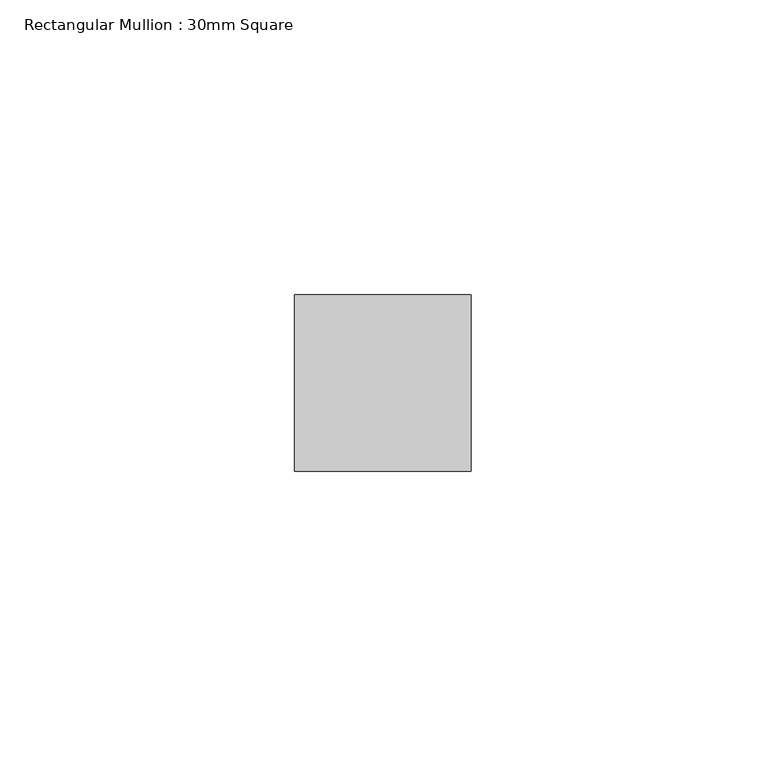
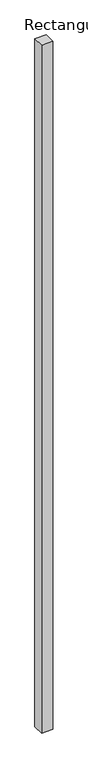
"""IFC4 building model written with IfcOpenShell, lengths in millimetres: member geometry, Rectangular Mullion : 30mm Square."""

from ifc_helpers import new_model, si_unit, frame, origin, place, context, project, spatial, polyline, outline, extrude, source, transform, mapped, element, save


def rectangular_mullion_30mm_square_89e291ac(model_context):
    return source(origin(), model_context, "Body", "SweptSolid", [
        extrude(outline(polyline([(15.0, 15.0), (15.0, -15.0), (-15.0, -15.0), (-15.0, 15.0), (15.0, 15.0)])), frame((0.0, 0.0, -1905.0165053), z_axis=(0.0, 0.0, 1.0), x_axis=(1.0, 0.0, 0.0)), (0.0, 0.0, 1.0), 1905.0165053),
    ])


if __name__ == "__main__":
    model = new_model("IFC4")
    model_context = context("Model", 3, world=origin())
    ifc_project = project(units=[si_unit("LENGTHUNIT", "METRE", prefix="MILLI")], contexts=[model_context])
    site = spatial("IfcSite", under=ifc_project)
    building = spatial("IfcBuilding", under=site)
    placement = place(None, origin())
    rectangular_mullion_30mm_square_shape = rectangular_mullion_30mm_square_89e291ac(model_context)
    element("IfcMember", 1, ObjectType="Rectangular Mullion : 30mm Square", at=placement, inside=building, context=model_context, shape_type="MappedRepresentation", body=[
        mapped(rectangular_mullion_30mm_square_shape, transform((0.0, 0.0, 0.0), x_axis=(1.0, 0.0, 0.0), y_axis=(0.0, 1.0, 0.0), z_axis=(0.0, 0.0, 1.0))),
    ])
    save(model, "model.ifc")
